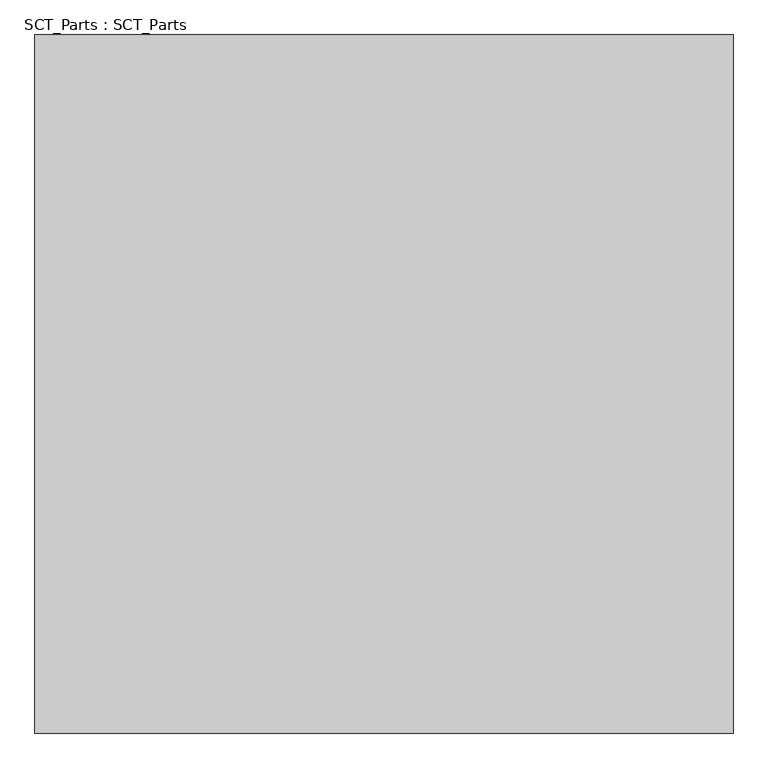
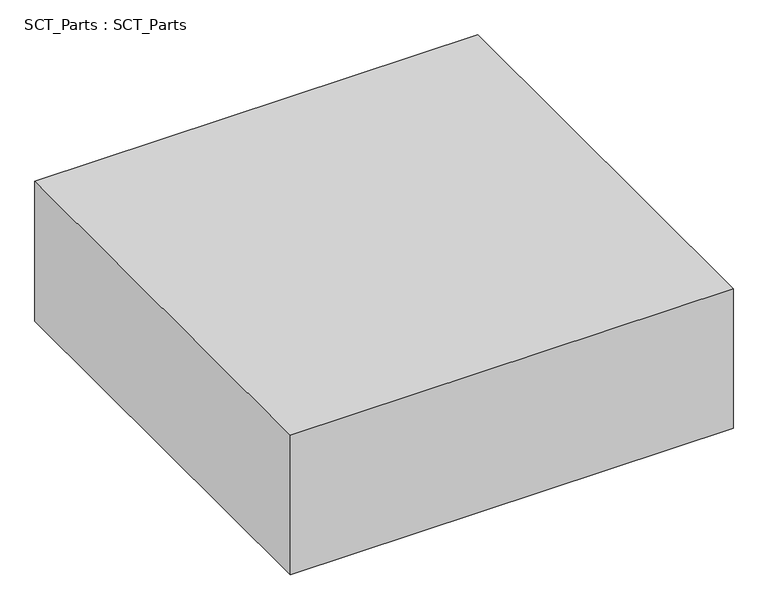
"""IFC4 building model written with IfcOpenShell, lengths in millimetres: proxy geometry, SCT_Parts : SCT_Parts."""

import ifcopenshell
import ifcopenshell.guid

model = None  # the IFC model being written
_history = None  # IfcOwnerHistory: only IFC2X3 demands one
_inside = {}  # id of a spatial element -> (the spatial element, [elements in it])
_under = {}  # id of a project, library or spatial element -> (it, [spatial elements below it])
_declared = {}  # id of a project -> (the project, [libraries it declares])
_typed = {}  # id of a type object -> (the type object, [elements of that type])
_made_of = {}  # id of a material, layer set ... -> (it, [elements and type objects made of it])


def new_model(schema):
    """Start an empty IFC model of exactly this schema.

    Asked for "IFC4X3", IfcOpenShell would pick the latest addendum, in which some entities
    have other attributes; the version numbers below select the first issue.
    IFC2X3 requires an IfcOwnerHistory on every rooted entity: one is made here for all.
    """
    global model, _history
    if schema == "IFC4X3":
        model = ifcopenshell.file(schema_version=(4, 3, 0, 0))
    else:
        model = ifcopenshell.file(schema=schema)
    _inside.clear()
    _under.clear()
    _declared.clear()
    _typed.clear()
    _made_of.clear()
    _history = None
    if model.schema == "IFC2X3":
        org = make("IfcOrganization", Name="unknown")
        user = make(
            "IfcPersonAndOrganization",
            ThePerson=make("IfcPerson", FamilyName="unknown"),
            TheOrganization=org,
        )
        app = make(
            "IfcApplication",
            ApplicationDeveloper=org,
            Version="unknown",
            ApplicationFullName="unknown",
            ApplicationIdentifier="unknown",
        )
        _history = make(
            "IfcOwnerHistory",
            OwningUser=user,
            OwningApplication=app,
            ChangeAction="ADDED",
            CreationDate=0,
        )
    return model


def make(cls, **values):
    """One entity of the class cls with the attributes given. An attribute that is None is left unset."""
    return model.create_entity(
        cls, **{name: value for name, value in values.items() if value is not None}
    )


def rooted(cls, **values):
    """An entity with a GlobalId (a new one), such as an element, a storey or a relation."""
    return make(cls, GlobalId=ifcopenshell.guid.new(), OwnerHistory=_history, **values)


def si_unit(unit_type, name, prefix=None):
    """IfcSIUnit, for example si_unit("LENGTHUNIT", "METRE", prefix="MILLI")."""
    return make("IfcSIUnit", UnitType=unit_type, Prefix=prefix, Name=name)


def assignment(units):
    """IfcUnitAssignment: the units of a project."""
    return None if units is None else make("IfcUnitAssignment", Units=units)


def point(xyz):
    """IfcCartesianPoint."""
    return None if xyz is None else make("IfcCartesianPoint", Coordinates=xyz)


def direction(xyz):
    """IfcDirection."""
    return None if xyz is None else make("IfcDirection", DirectionRatios=xyz)


def frame(location, z_axis=None, x_axis=None):
    """IfcAxis2Placement3D, a coordinate frame: its origin and axes. An axis left out is left unset."""
    return make(
        "IfcAxis2Placement3D",
        Location=point(location),
        Axis=direction(z_axis),
        RefDirection=direction(x_axis),
    )


def origin():
    """The frame at (0, 0, 0) with its axes left unset."""
    return frame((0.0, 0.0, 0.0))


def place(relative_to, where):
    """IfcLocalPlacement: puts the frame where relative to a parent placement (None: the world)."""
    return make(
        "IfcLocalPlacement", PlacementRelTo=relative_to, RelativePlacement=where
    )


def context(
    kind, dimensions, precision=None, world=None, true_north=None, identifier=None
):
    """IfcGeometricRepresentationContext, for example the 3D "Model" context."""
    return make(
        "IfcGeometricRepresentationContext",
        ContextIdentifier=identifier,
        ContextType=kind,
        CoordinateSpaceDimension=dimensions,
        Precision=precision,
        WorldCoordinateSystem=world,
        TrueNorth=true_north,
    )


def project(units=None, contexts=None):
    """IfcProject with its units and contexts."""
    return rooted(
        "IfcProject",
        Name="project",
        RepresentationContexts=contexts,
        UnitsInContext=assignment(units),
    )


def spatial(cls, under=None, at=None, **own):
    """A site, building, storey or space (cls), placed at a placement, below another one or the project."""
    s = rooted(cls, ObjectPlacement=at, **own)
    if under is not None:
        _under.setdefault(under.id(), (under, []))[1].append(s)
    return s


def polyline(points):
    """IfcPolyline through the points."""
    return make("IfcPolyline", Points=[point(p) for p in points])


def outline(outer, holes=None, kind="AREA"):
    """IfcArbitraryClosedProfileDef: a profile drawn as a closed curve; with holes, ...WithVoids."""
    if holes is None:
        return make("IfcArbitraryClosedProfileDef", ProfileType=kind, OuterCurve=outer)
    return make(
        "IfcArbitraryProfileDefWithVoids",
        ProfileType=kind,
        OuterCurve=outer,
        InnerCurves=holes,
    )


def extrude(swept, where, along, depth):
    """IfcExtrudedAreaSolid: the profile swept, set in the frame where, extruded along a direction by depth."""
    return make(
        "IfcExtrudedAreaSolid",
        SweptArea=swept,
        Position=where,
        ExtrudedDirection=direction(along),
        Depth=depth,
    )


def shape(context_of_items, identifier, shape_type, items):
    """IfcShapeRepresentation: the items that make up one representation, for example the "Body"."""
    return make(
        "IfcShapeRepresentation",
        ContextOfItems=context_of_items,
        RepresentationIdentifier=identifier,
        RepresentationType=shape_type,
        Items=items,
    )


def source(mapping_origin, context_of_items, identifier, shape_type, items):
    """IfcRepresentationMap: a shape defined once, which mapped items show again and again."""
    return make(
        "IfcRepresentationMap",
        MappingOrigin=mapping_origin,
        MappedRepresentation=shape(context_of_items, identifier, shape_type, items),
    )


def transform(
    local_origin,
    x_axis=None,
    y_axis=None,
    z_axis=None,
    scale=None,
    scale2=None,
    scale3=None,
    uniform=True,
):
    """IfcCartesianTransformationOperator3D, or its non-uniform kind. x_axis, y_axis, z_axis: its Axis1, 2, 3."""
    if uniform:
        return make(
            "IfcCartesianTransformationOperator3D",
            Axis1=direction(x_axis),
            Axis2=direction(y_axis),
            LocalOrigin=point(local_origin),
            Scale=scale,
            Axis3=direction(z_axis),
        )
    return make(
        "IfcCartesianTransformationOperator3DnonUniform",
        Axis1=direction(x_axis),
        Axis2=direction(y_axis),
        LocalOrigin=point(local_origin),
        Scale=scale,
        Axis3=direction(z_axis),
        Scale2=scale2,
        Scale3=scale3,
    )


def mapped(mapping_source, mapping_target):
    """IfcMappedItem: shows the shape of a source again, moved by a transform."""
    return make(
        "IfcMappedItem", MappingSource=mapping_source, MappingTarget=mapping_target
    )


def made_of(thing, what):
    """Note that an element or type object is made of a material, layer set ...; save() writes the relation."""
    if what is not None:
        _made_of.setdefault(what.id(), (what, []))[1].append(thing)
    return thing


def element(
    cls,
    number,
    at=None,
    inside=None,
    cuts=None,
    type_object=None,
    material=None,
    context=None,
    identifier="Body",
    shape_type=None,
    held_by="IfcProductDefinitionShape",
    body=None,
    shapes=None,
    **own,
):
    """One element of the class cls, such as IfcWall. Its Tag is "e" and its number.

    at: its placement. inside: the storey or other place that contains it. cuts: it is an
    opening in that element (IfcRelVoidsElement). A single representation is given by context,
    identifier, shape_type and body (its items); several are given by shapes. held_by: the class
    of the entity that holds the representations. save() writes the other relations.
    """
    e = rooted(cls, Tag="e%d" % number, ObjectPlacement=at, **own)
    if body is not None:
        shapes = [shape(context, identifier, shape_type, body)]
    if shapes is not None:
        e.Representation = make(held_by, Representations=shapes)
    if inside is not None:
        _inside.setdefault(inside.id(), (inside, []))[1].append(e)
    if cuts is not None:
        rooted(
            "IfcRelVoidsElement", RelatingBuildingElement=cuts, RelatedOpeningElement=e
        )
    if type_object is not None:
        _typed.setdefault(type_object.id(), (type_object, []))[1].append(e)
    return made_of(e, material)


def aggregate(whole, parts):
    """IfcRelAggregates: a whole, such as a stair, and the parts it consists of."""
    return rooted("IfcRelAggregates", RelatingObject=whole, RelatedObjects=parts)


def save(model, path):
    """Write the relations noted so far, then the file.

    IfcRelAggregates (storeys below a building ...), IfcRelContainedInSpatialStructure (elements
    in a storey), IfcRelDefinesByType, IfcRelAssociatesMaterial and IfcRelDeclares: one each for
    every whole, place, type object, material and project.
    """
    for whole, parts in _under.values():
        aggregate(whole, parts)
    for where, things in _inside.values():
        rooted(
            "IfcRelContainedInSpatialStructure",
            RelatedElements=things,
            RelatingStructure=where,
        )
    for kind, things in _typed.values():
        rooted("IfcRelDefinesByType", RelatedObjects=things, RelatingType=kind)
    for what, things in _made_of.values():
        rooted("IfcRelAssociatesMaterial", RelatedObjects=things, RelatingMaterial=what)
    for by, libraries in _declared.values():
        rooted("IfcRelDeclares", RelatingContext=by, RelatedDefinitions=libraries)
    model.write(path)


def sct_parts_sct_parts_5b58bb64(model_context):
    return source(origin(), model_context, "Body", "SweptSolid", [
        extrude(outline(polyline([(3000.0, 3000.0), (3000.0, 0.0), (0.0, 0.0), (0.0, 3000.0), (3000.0, 3000.0)])), frame((0.0, 0.0, 8000.0), z_axis=(0.0, 0.0, 1.0), x_axis=(1.0, 0.0, 0.0)), (0.0, 0.0, 1.0), 1000.0),
    ])


if __name__ == "__main__":
    model = new_model("IFC4")
    model_context = context("Model", 3, world=origin())
    ifc_project = project(units=[si_unit("LENGTHUNIT", "METRE", prefix="MILLI")], contexts=[model_context])
    site = spatial("IfcSite", under=ifc_project)
    building = spatial("IfcBuilding", under=site)
    placement = place(None, origin())
    sct_parts_sct_parts_shape = sct_parts_sct_parts_5b58bb64(model_context)
    element("IfcBuildingElementProxy", 1, Name="SCT_Parts : SCT_Parts", ObjectType="SCT_Parts : SCT_Parts", at=placement, inside=building, context=model_context, shape_type="MappedRepresentation", body=[
        mapped(sct_parts_sct_parts_shape, transform((0.0, 0.0, 0.0), x_axis=(1.0, 0.0, 0.0), y_axis=(0.0, 1.0, 0.0), z_axis=(0.0, 0.0, 1.0))),
    ])
    save(model, "model.ifc")
